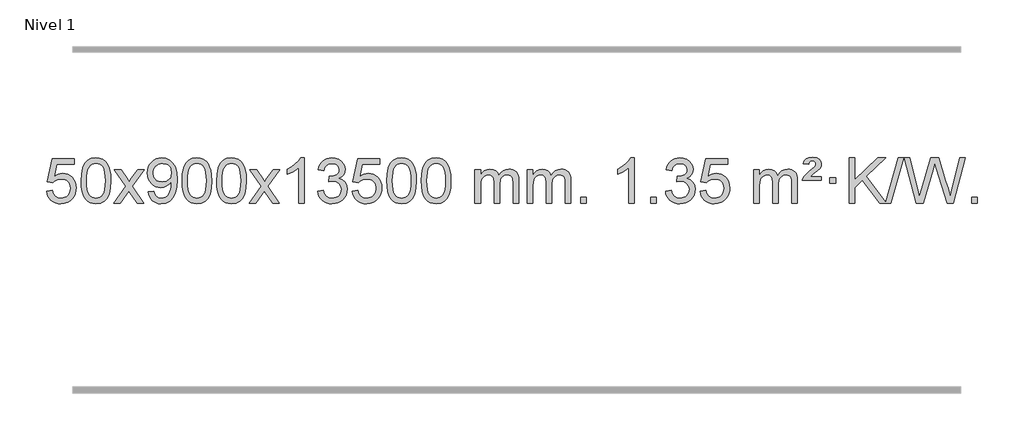
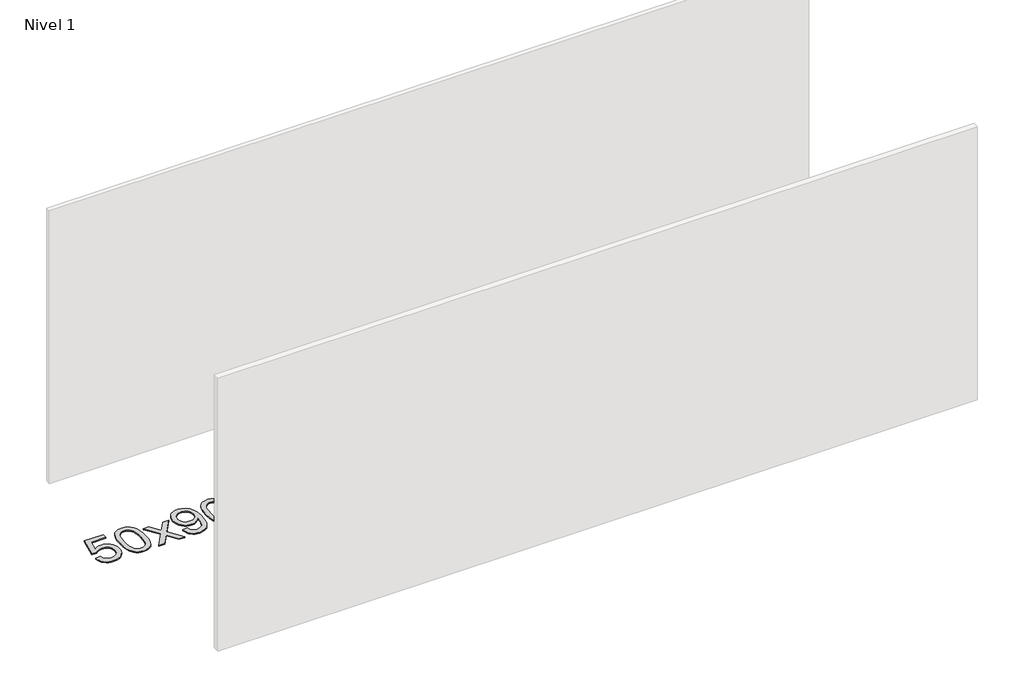
# One storey, part 6 of 25: 1 proxy.
"""IFC4 building model written with IfcOpenShell, lengths in millimetres."""

from ifc_helpers import new_model, si_unit, origin, origin_with_axes, place, context, project, spatial, polyline, outline, extrude, element, save

model = new_model("IFC4")

# Units and contexts
model_context = context("Model", 3, world=origin())
ifc_project = project(units=[si_unit("LENGTHUNIT", "METRE", prefix="MILLI")], contexts=[model_context])

# Site, building, storey
site = spatial("IfcSite", under=ifc_project)
building = spatial("IfcBuilding", under=site)
storey = spatial("IfcBuildingStorey", under=building, Name="Nivel 1", Elevation=0.0)

# Proxy
placement = place(None, origin())
element("IfcBuildingElementProxy", 1, Name="Texto de modelo 1", ObjectType="Texto de modelo 1", at=placement, inside=storey, context=model_context, shape_type="SweptSolid", body=[
    extrude(outline(polyline([(-13263.8171603, -284.8446235), (-13213.5890052, -278.5661041), (-13204.3674299, -308.7201649), (-13188.278724, -330.3148381), (-13165.3964639, -343.3010725), (-13135.794226, -347.6298173), (-13116.6643622, -346.1245668), (-13099.7908414, -341.6088153), (-13085.1736634, -334.0825628), (-13072.8128284, -323.5458094), (-13062.9842478, -310.519721), (-13055.963833, -295.5254641), (-13050.3475012, -259.6324441), (-13055.6082138, -225.8363514), (-13062.1841044, -211.9181493), (-13071.3903514, -199.9865099), (-13083.2576114, -190.4154467), (-13097.8165413, -183.5789729), (-13135.0094111, -178.1097939), (-13159.3754619, -180.2925604), (-13179.1061995, -186.8408599), (-13194.8638117, -196.8717757), (-13207.3104858, -209.5023908), (-13257.5386409, -203.2238715), (-13213.5890052, 3.9672682), (-13018.9549043, 3.9672682), (-13018.9549043, -46.2608869), (-13172.974833, -46.2608869), (-13194.5572433, -156.919791), (-13176.8314625, -144.2155994), (-13158.6764861, -135.1411769), (-13140.092314, -129.6965234), (-13121.0789462, -127.8816388), (-13096.6147935, -130.1318504), (-13074.1372036, -136.882485), (-13053.6461765, -148.1335427), (-13035.1417121, -163.8850234), (-13019.819427, -183.1743027), (-13008.8749376, -205.038756), (-13002.308244, -229.4783832), (-13000.1193462, -256.4931844), (-13002.0875148, -282.5147042), (-13007.9920209, -306.7213394), (-13017.8328642, -329.1130902), (-13031.6100449, -349.6899565), (-13052.4812168, -370.7634634), (-13076.8350049, -385.8159684), (-13104.6714092, -394.8474714), (-13135.9904297, -397.8579724), (-13161.9107819, -395.9235262), (-13185.3234053, -390.1201877), (-13206.2282996, -380.447957), (-13224.6254651, -366.9068338), (-13239.9324218, -350.1712688), (-13251.5666899, -330.915712), (-13259.5282694, -309.1401636), (-13263.8171603, -284.8446235)])), origin_with_axes(), (0.0, 0.0, 1.0), 10.0),
    extrude(outline(polyline([(-12956.1697105, -193.9041943), (-12952.4786278, -129.5861588), (-12941.4053797, -78.2911459), (-12923.0603309, -39.2343407), (-12911.2022679, -24.0009605), (-12897.5538459, -11.6309284), (-12882.0690796, -2.0598651), (-12864.7019837, 4.7766086), (-12824.3208034, 10.2457876), (-12793.3696649, 7.008426), (-12765.6558879, -2.7036586), (-12742.4793222, -18.5103217), (-12725.1398175, -40.0314184), (-12712.0432185, -67.0830078), (-12701.5953698, -99.4811488), (-12694.7527647, -140.6226186), (-12692.4718963, -193.9041943), (-12696.1261908, -257.8543477), (-12707.0890743, -309.0267333), (-12725.3237585, -348.1203266), (-12737.1542303, -363.3996922), (-12750.7934553, -375.8341036), (-12766.2966157, -385.4695462), (-12783.7188939, -392.3520052), (-12824.3208034, -397.8579724), (-12851.9855294, -395.4667394), (-12876.5109958, -388.2930405), (-12897.8972024, -376.3368757), (-12916.1441494, -359.5982449), (-12933.6553324, -329.3399508), (-12946.1633202, -291.6381776), (-12953.6681129, -246.4929255), (-12956.1697105, -193.9041943)]), holes=[polyline([(-12905.9415554, -193.8060924), (-12904.4700274, -237.4706195), (-12900.0554435, -272.8148822), (-12892.6978036, -299.8388804), (-12882.3971077, -318.5426142), (-12869.9381708, -331.2682656), (-12856.1058078, -340.3580165), (-12840.9000186, -345.8118671), (-12824.3208034, -347.6298173), (-12807.7415881, -345.8057357), (-12792.535799, -340.3334911), (-12778.703436, -331.2130833), (-12766.2444991, -318.4445124), (-12755.9438032, -299.7101217), (-12748.5861633, -272.6922549), (-12744.1715794, -237.3909118), (-12742.7000514, -193.8060924), (-12744.1225284, -151.2973278), (-12748.3899596, -116.5753989), (-12755.5023448, -89.6403055), (-12765.4596842, -70.4920476), (-12777.7101546, -57.1440625), (-12791.7019332, -47.6097875), (-12807.4350198, -41.8892225), (-12824.9094146, -39.9823675), (-12841.4027907, -41.6623619), (-12856.3510624, -46.7023452), (-12869.7542298, -55.1023175), (-12881.6122928, -66.8622786), (-12892.2563452, -87.708925), (-12899.8592397, -115.8151094), (-12904.4209765, -151.1808319), (-12905.9415554, -193.8060924)])]), origin_with_axes(), (0.0, 0.0, 1.0), 10.0),
    extrude(outline(polyline([(-12667.3578188, -391.579453), (-12560.0343781, -243.1513307), (-12661.0792994, -96.4890419), (-12600.8447541, -96.4890419), (-12552.088127, -167.2204869), (-12529.2303923, -200.4770192), (-12509.4138155, -173.2047007), (-12453.8881597, -96.4890419), (-12393.4574106, -96.4890419), (-12499.603629, -243.2494325), (-12397.3814853, -391.579453), (-12457.7141325, -391.579453), (-12519.3221039, -302.3067555), (-12530.5057166, -285.923744), (-12606.9270697, -391.579453), (-12667.3578188, -391.579453)])), origin_with_axes(), (0.0, 0.0, 1.0), 10.0),
    extrude(outline(polyline([(-12359.7103689, -291.1231428), (-12309.4822139, -284.8446235), (-12300.8983007, -313.3554781), (-12286.9187848, -332.7673847), (-12267.887023, -343.9142092), (-12244.1463715, -347.6298173), (-12222.846004, -345.2385843), (-12203.4831483, -338.0648854), (-12187.3944424, -326.8935355), (-12175.9165242, -312.5093495), (-12159.4844617, -268.8540194), (-12154.0398082, -240.4535294), (-12152.2249237, -210.5815114), (-12152.5192293, -200.7713248), (-12169.9200476, -222.0103787), (-12192.6919431, -238.8348486), (-12219.1917095, -249.7977321), (-12247.7761406, -253.4520265), (-12271.6363536, -251.2202091), (-12293.5774489, -244.5247568), (-12313.5994265, -233.3656696), (-12331.7022864, -217.7429475), (-12346.7026747, -198.4720624), (-12357.4172378, -176.3684858), (-12363.8459757, -151.4322179), (-12365.9888883, -123.6632586), (-12363.7417425, -94.968463), (-12357.0003049, -69.2167234), (-12345.7645756, -46.4080397), (-12330.0345547, -26.5424119), (-12310.9200193, -10.4475746), (-12289.530747, 1.0487377), (-12265.8667377, 7.9465251), (-12239.9279913, 10.2457876), (-12202.4653415, 4.9973378), (-12168.3626805, -10.7480116), (-12139.8395632, -36.2054457), (-12119.1155441, -70.5901495), (-12106.4971917, -118.1205032), (-12102.2910742, -183.0148872), (-12106.4849289, -251.821083), (-12119.0664932, -305.0045568), (-12139.9254023, -344.9688042), (-12153.4174745, -360.8950289), (-12168.9512917, -374.117321), (-12186.2141543, -384.503856), (-12204.8933626, -391.9228095), (-12246.5008163, -397.8579724), (-12269.058114, -396.1074672), (-12289.4449079, -390.8559517), (-12307.661198, -382.1034259), (-12323.7069844, -369.8498898), (-12337.1775967, -354.4264372), (-12347.668365, -336.1641618), (-12355.179289, -315.0630637), (-12359.7103689, -291.1231428)]), holes=[polyline([(-12152.5192293, -122.4860363), (-12157.9393573, -88.444689), (-12164.7145174, -74.3670713), (-12174.1997415, -62.2514909), (-12185.9290458, -52.5087494), (-12199.4364464, -45.5496483), (-12231.7855365, -39.9823675), (-12249.3948213, -41.4814866), (-12265.3363745, -45.978844), (-12279.6101959, -53.4744396), (-12292.2162856, -63.9682736), (-12302.5169814, -76.8472091), (-12309.8746213, -91.4981095), (-12314.2892053, -107.9209749), (-12315.7607333, -126.1158053), (-12310.1934524, -157.1527829), (-12303.2343513, -170.2708417), (-12293.4916098, -181.7886139), (-12281.3698981, -191.1665391), (-12267.2738863, -197.8650571), (-12233.1589626, -203.2238715), (-12201.0673899, -197.8650571), (-12175.2298111, -181.7886139), (-12165.2939315, -170.0439812), (-12158.1968747, -156.2453407), (-12152.5192293, -122.4860363)])]), origin_with_axes(), (0.0, 0.0, 1.0), 10.0),
    extrude(outline(polyline([(-12058.3414385, -193.9041943), (-12054.6503558, -129.5861588), (-12043.5771078, -78.2911459), (-12025.2320589, -39.2343407), (-12013.373996, -24.0009605), (-11999.7255739, -11.6309284), (-11984.2408076, -2.0598651), (-11966.8737118, 4.7766086), (-11926.4925314, 10.2457876), (-11895.5413929, 7.008426), (-11867.8276159, -2.7036586), (-11844.6510502, -18.5103217), (-11827.3115455, -40.0314184), (-11814.2149465, -67.0830078), (-11803.7670978, -99.4811488), (-11796.9244927, -140.6226186), (-11794.6436244, -193.9041943), (-11798.2979188, -257.8543477), (-11809.2608023, -309.0267333), (-11827.4954865, -348.1203266), (-11839.3259584, -363.3996922), (-11852.9651833, -375.8341036), (-11868.4683437, -385.4695462), (-11885.8906219, -392.3520052), (-11926.4925314, -397.8579724), (-11954.1572575, -395.4667394), (-11978.6827238, -388.2930405), (-12000.0689305, -376.3368757), (-12018.3158774, -359.5982449), (-12035.8270604, -329.3399508), (-12048.3350482, -291.6381776), (-12055.8398409, -246.4929255), (-12058.3414385, -193.9041943)]), holes=[polyline([(-12008.1132834, -193.8060924), (-12006.6417554, -237.4706195), (-12002.2271715, -272.8148822), (-11994.8695316, -299.8388804), (-11984.5688357, -318.5426142), (-11972.1098988, -331.2682656), (-11958.2775358, -340.3580165), (-11943.0717467, -345.8118671), (-11926.4925314, -347.6298173), (-11909.9133162, -345.8057357), (-11894.707527, -340.3334911), (-11880.875164, -331.2130833), (-11868.4162271, -318.4445124), (-11858.1155313, -299.7101217), (-11850.7578914, -272.6922549), (-11846.3433074, -237.3909118), (-11844.8717794, -193.8060924), (-11846.2942565, -151.2973278), (-11850.5616876, -116.5753989), (-11857.6740729, -89.6403055), (-11867.6314122, -70.4920476), (-11879.8818826, -57.1440625), (-11893.8736612, -47.6097875), (-11909.6067479, -41.8892225), (-11927.0811426, -39.9823675), (-11943.5745187, -41.6623619), (-11958.5227905, -46.7023452), (-11971.9259578, -55.1023175), (-11983.7840208, -66.8622786), (-11994.4280732, -87.708925), (-12002.0309678, -115.8151094), (-12006.5927045, -151.1808319), (-12008.1132834, -193.8060924)])]), origin_with_axes(), (0.0, 0.0, 1.0), 10.0),
    extrude(outline(polyline([(-11750.6939887, -193.9041943), (-11747.002906, -129.5861588), (-11735.9296579, -78.2911459), (-11717.5846091, -39.2343407), (-11705.7265461, -24.0009605), (-11692.0781241, -11.6309284), (-11676.5933578, -2.0598651), (-11659.2262619, 4.7766086), (-11618.8450816, 10.2457876), (-11587.8939431, 7.008426), (-11560.1801661, -2.7036586), (-11537.0036004, -18.5103217), (-11519.6640957, -40.0314184), (-11506.5674967, -67.0830078), (-11496.119648, -99.4811488), (-11489.2770429, -140.6226186), (-11486.9961745, -193.9041943), (-11490.650469, -257.8543477), (-11501.6133525, -309.0267333), (-11519.8480367, -348.1203266), (-11531.6785085, -363.3996922), (-11545.3177335, -375.8341036), (-11560.8208939, -385.4695462), (-11578.2431721, -392.3520052), (-11618.8450816, -397.8579724), (-11646.5098076, -395.4667394), (-11671.035274, -388.2930405), (-11692.4214806, -376.3368757), (-11710.6684276, -359.5982449), (-11728.1796106, -329.3399508), (-11740.6875984, -291.6381776), (-11748.1923911, -246.4929255), (-11750.6939887, -193.9041943)]), holes=[polyline([(-11700.4658336, -193.8060924), (-11698.9943056, -237.4706195), (-11694.5797217, -272.8148822), (-11687.2220818, -299.8388804), (-11676.9213859, -318.5426142), (-11664.462449, -331.2682656), (-11650.630086, -340.3580165), (-11635.4242968, -345.8118671), (-11618.8450816, -347.6298173), (-11602.2658663, -345.8057357), (-11587.0600772, -340.3334911), (-11573.2277142, -331.2130833), (-11560.7687773, -318.4445124), (-11550.4680814, -299.7101217), (-11543.1104415, -272.6922549), (-11538.6958576, -237.3909118), (-11537.2243296, -193.8060924), (-11538.6468066, -151.2973278), (-11542.9142378, -116.5753989), (-11550.026623, -89.6403055), (-11559.9839624, -70.4920476), (-11572.2344328, -57.1440625), (-11586.2262114, -47.6097875), (-11601.959298, -41.8892225), (-11619.4336928, -39.9823675), (-11635.9270689, -41.6623619), (-11650.8753406, -46.7023452), (-11664.278508, -55.1023175), (-11676.136571, -66.8622786), (-11686.7806234, -87.708925), (-11694.3835179, -115.8151094), (-11698.9452547, -151.1808319), (-11700.4658336, -193.8060924)])]), origin_with_axes(), (0.0, 0.0, 1.0), 10.0),
    extrude(outline(polyline([(-11461.882097, -391.579453), (-11354.5586563, -243.1513307), (-11455.6035776, -96.4890419), (-11395.3690323, -96.4890419), (-11346.6124052, -167.2204869), (-11323.7546705, -200.4770192), (-11303.9380937, -173.2047007), (-11248.4124379, -96.4890419), (-11187.9816888, -96.4890419), (-11294.1279072, -243.2494325), (-11191.9057635, -391.579453), (-11252.2384107, -391.579453), (-11313.8463821, -302.3067555), (-11325.0299948, -285.923744), (-11401.4513479, -391.579453), (-11461.882097, -391.579453)])), origin_with_axes(), (0.0, 0.0, 1.0), 10.0),
    extrude(outline(polyline([(-10972.157585, -391.579453), (-11022.3857401, -391.579453), (-11022.3857401, -78.4382987), (-11043.3550138, -95.3976587), (-11069.9651448, -112.3324932), (-11122.8420502, -137.6918254), (-11122.8420502, -90.2105225), (-11083.3928376, -68.7507395), (-11049.2166003, -43.219729), (-11022.2753755, -16.0700378), (-11004.5312006, 10.2457876), (-10972.157585, 10.2457876), (-10972.157585, -391.579453)])), origin_with_axes(), (0.0, 0.0, 1.0), 10.0),
    extrude(outline(polyline([(-10852.8657167, -284.8446235), (-10802.6375616, -278.5661041), (-10791.3926353, -310.1303793), (-10774.9237847, -331.4430095), (-10752.4216693, -343.5831154), (-10723.0769488, -347.6298173), (-10688.6431941, -342.0625364), (-10674.3693726, -335.1034354), (-10662.0575885, -325.3606939), (-10645.0614404, -300.4428201), (-10639.3960576, -270.2274455), (-10645.0123894, -241.5449126), (-10661.8613848, -218.2825078), (-10687.3678698, -202.8682522), (-10718.9566705, -197.730167), (-10754.1752401, -203.2238715), (-10748.5834338, -152.9957164), (-10740.5390808, -153.5843276), (-10710.4463336, -149.979084), (-10683.5418971, -139.1633534), (-10672.468649, -130.9841103), (-10664.5591861, -120.8673555), (-10659.8135084, -108.8130888), (-10658.2316158, -94.8213102), (-10662.817878, -73.1285352), (-10676.5766646, -55.5315131), (-10697.5704638, -43.8696539), (-10723.8617637, -39.9823675), (-10750.2021146, -43.9064421), (-10771.735474, -55.6786659), (-10787.456298, -75.299039), (-10796.3590422, -102.7675613), (-10846.5871973, -96.4890419), (-10840.6336404, -72.5092672), (-10831.7983411, -51.3867093), (-10820.0812996, -33.1213683), (-10805.4825157, -17.713244), (-10788.4618421, -5.4811677), (-10769.4791311, 3.2560297), (-10748.5343829, 8.4983481), (-10725.6275973, 10.2457876), (-10694.0510594, 6.7999596), (-10665.0496954, -3.5375245), (-10640.5978055, -19.8469596), (-10622.6696896, -41.2086408), (-10611.6700179, -65.8199463), (-10608.0034607, -91.8782543), (-10611.4860769, -116.1584659), (-10621.9339256, -138.1823347), (-10639.1998539, -156.9443165), (-10663.1367091, -171.4388671), (-10631.6950612, -184.1430586), (-10608.3958682, -205.77452), (-10593.974894, -235.1560286), (-10589.1679026, -271.1103623), (-10591.5713983, -296.5923218), (-10598.7818854, -320.0631931), (-10610.7993639, -341.5229762), (-10627.6238338, -360.971671), (-10648.1209923, -377.1094278), (-10671.1565366, -388.636397), (-10696.7304666, -395.5525785), (-10724.8427824, -397.8579724), (-10750.2511655, -395.8898037), (-10773.4032057, -389.9852977), (-10794.2989031, -380.1444543), (-10812.9382575, -366.3672736), (-10828.5671109, -349.4630959), (-10840.4313053, -330.2412617), (-10848.5308405, -308.7017708), (-10852.8657167, -284.8446235)])), origin_with_axes(), (0.0, 0.0, 1.0), 10.0),
    extrude(outline(polyline([(-10545.2182669, -284.8446235), (-10494.9901118, -278.5661041), (-10485.7685365, -308.7201649), (-10469.6798305, -330.3148381), (-10446.7975704, -343.3010725), (-10417.1953326, -347.6298173), (-10398.0654688, -346.1245668), (-10381.191948, -341.6088153), (-10366.57477, -334.0825628), (-10354.213935, -323.5458094), (-10344.3853543, -310.519721), (-10337.3649396, -295.5254641), (-10331.7486078, -259.6324441), (-10337.0093203, -225.8363514), (-10343.585211, -211.9181493), (-10352.7914579, -199.9865099), (-10364.658718, -190.4154467), (-10379.2176479, -183.5789729), (-10416.4105176, -178.1097939), (-10440.7765684, -180.2925604), (-10460.5073061, -186.8408599), (-10476.2649182, -196.8717757), (-10488.7115924, -209.5023908), (-10538.9397475, -203.2238715), (-10494.9901118, 3.9672682), (-10300.3560109, 3.9672682), (-10300.3560109, -46.2608869), (-10454.3759395, -46.2608869), (-10475.9583499, -156.919791), (-10458.2325691, -144.2155994), (-10440.0775927, -135.1411769), (-10421.4934205, -129.6965234), (-10402.4800527, -127.8816388), (-10378.0159001, -130.1318504), (-10355.5383102, -136.882485), (-10335.047283, -148.1335427), (-10316.5428187, -163.8850234), (-10301.2205336, -183.1743027), (-10290.2760442, -205.038756), (-10283.7093506, -229.4783832), (-10281.5204527, -256.4931844), (-10283.4886214, -282.5147042), (-10289.3931274, -306.7213394), (-10299.2339708, -329.1130902), (-10313.0111515, -349.6899565), (-10333.8823234, -370.7634634), (-10358.2361115, -385.8159684), (-10386.0725158, -394.8474714), (-10417.3915363, -397.8579724), (-10443.3118885, -395.9235262), (-10466.7245118, -390.1201877), (-10487.6294062, -380.447957), (-10506.0265717, -366.9068338), (-10521.3335283, -350.1712688), (-10532.9677964, -330.915712), (-10540.9293759, -309.1401636), (-10545.2182669, -284.8446235)])), origin_with_axes(), (0.0, 0.0, 1.0), 10.0),
    extrude(outline(polyline([(-10237.570817, -193.9041943), (-10233.8797344, -129.5861588), (-10222.8064863, -78.2911459), (-10204.4614375, -39.2343407), (-10192.6033745, -24.0009605), (-10178.9549525, -11.6309284), (-10163.4701862, -2.0598651), (-10146.1030903, 4.7766086), (-10105.72191, 10.2457876), (-10074.7707714, 7.008426), (-10047.0569945, -2.7036586), (-10023.8804288, -18.5103217), (-10006.5409241, -40.0314184), (-9993.444325, -67.0830078), (-9982.9964764, -99.4811488), (-9976.1538713, -140.6226186), (-9973.8730029, -193.9041943), (-9977.5272974, -257.8543477), (-9988.4901808, -309.0267333), (-10006.7248651, -348.1203266), (-10018.5553369, -363.3996922), (-10032.1945619, -375.8341036), (-10047.6977223, -385.4695462), (-10065.1200004, -392.3520052), (-10105.72191, -397.8579724), (-10133.386636, -395.4667394), (-10157.9121024, -388.2930405), (-10179.298309, -376.3368757), (-10197.545256, -359.5982449), (-10215.0564389, -329.3399508), (-10227.5644268, -291.6381776), (-10235.0692195, -246.4929255), (-10237.570817, -193.9041943)]), holes=[polyline([(-10187.342662, -193.8060924), (-10185.871134, -237.4706195), (-10181.45655, -272.8148822), (-10174.0989101, -299.8388804), (-10163.7982143, -318.5426142), (-10151.3392774, -331.2682656), (-10137.5069144, -340.3580165), (-10122.3011252, -345.8118671), (-10105.72191, -347.6298173), (-10089.1426947, -345.8057357), (-10073.9369056, -340.3334911), (-10060.1045426, -331.2130833), (-10047.6456057, -318.4445124), (-10037.3449098, -299.7101217), (-10029.9872699, -272.6922549), (-10025.572686, -237.3909118), (-10024.101158, -193.8060924), (-10025.523635, -151.2973278), (-10029.7910662, -116.5753989), (-10036.9034514, -89.6403055), (-10046.8607907, -70.4920476), (-10059.1112612, -57.1440625), (-10073.1030397, -47.6097875), (-10088.8361264, -41.8892225), (-10106.3105212, -39.9823675), (-10122.8038973, -41.6623619), (-10137.752169, -46.7023452), (-10151.1553364, -55.1023175), (-10163.0133993, -66.8622786), (-10173.6574517, -87.708925), (-10181.2603463, -115.8151094), (-10185.8220831, -151.1808319), (-10187.342662, -193.8060924)])]), origin_with_axes(), (0.0, 0.0, 1.0), 10.0),
    extrude(outline(polyline([(-9929.9233672, -193.9041943), (-9926.2322845, -129.5861588), (-9915.1590365, -78.2911459), (-9896.8139876, -39.2343407), (-9884.9559247, -24.0009605), (-9871.3075026, -11.6309284), (-9855.8227363, -2.0598651), (-9838.4556405, 4.7766086), (-9798.0744601, 10.2457876), (-9767.1233216, 7.008426), (-9739.4095446, -2.7036586), (-9716.2329789, -18.5103217), (-9698.8934742, -40.0314184), (-9685.7968752, -67.0830078), (-9675.3490265, -99.4811488), (-9668.5064214, -140.6226186), (-9666.2255531, -193.9041943), (-9669.8798475, -257.8543477), (-9680.842731, -309.0267333), (-9699.0774152, -348.1203266), (-9710.9078871, -363.3996922), (-9724.547112, -375.8341036), (-9740.0502724, -385.4695462), (-9757.4725506, -392.3520052), (-9798.0744601, -397.8579724), (-9825.7391862, -395.4667394), (-9850.2646525, -388.2930405), (-9871.6508592, -376.3368757), (-9889.8978061, -359.5982449), (-9907.4089891, -329.3399508), (-9919.9169769, -291.6381776), (-9927.4217696, -246.4929255), (-9929.9233672, -193.9041943)]), holes=[polyline([(-9879.6952121, -193.8060924), (-9878.2236842, -237.4706195), (-9873.8091002, -272.8148822), (-9866.4514603, -299.8388804), (-9856.1507644, -318.5426142), (-9843.6918275, -331.2682656), (-9829.8594645, -340.3580165), (-9814.6536754, -345.8118671), (-9798.0744601, -347.6298173), (-9781.4952449, -345.8057357), (-9766.2894558, -340.3334911), (-9752.4570927, -331.2130833), (-9739.9981558, -318.4445124), (-9729.69746, -299.7101217), (-9722.3398201, -272.6922549), (-9717.9252361, -237.3909118), (-9716.4537081, -193.8060924), (-9717.8761852, -151.2973278), (-9722.1436163, -116.5753989), (-9729.2560016, -89.6403055), (-9739.2133409, -70.4920476), (-9751.4638113, -57.1440625), (-9765.4555899, -47.6097875), (-9781.1886766, -41.8892225), (-9798.6630713, -39.9823675), (-9815.1564474, -41.6623619), (-9830.1047192, -46.7023452), (-9843.5078865, -55.1023175), (-9855.3659495, -66.8622786), (-9866.0100019, -87.708925), (-9873.6128965, -115.8151094), (-9878.1746332, -151.1808319), (-9879.6952121, -193.8060924)])]), origin_with_axes(), (0.0, 0.0, 1.0), 10.0),
    extrude(outline(polyline([(-9452.755894, -391.579453), (-9452.755894, -96.4890419), (-9402.5277389, -96.4890419), (-9402.5277389, -145.0494653), (-9387.4200517, -122.7435537), (-9367.9958823, -105.2691589), (-9344.9174185, -93.9751816), (-9318.8468478, -90.2105225), (-9290.9123416, -94.048758), (-9268.5205908, -105.5634645), (-9251.7942228, -123.9943524), (-9240.8558648, -148.5811324), (-9222.5476041, -123.0439906), (-9201.6641696, -104.803175), (-9178.205561, -93.8586857), (-9152.1717785, -90.2105225), (-9132.0639617, -91.7280358), (-9114.414823, -96.2805755), (-9099.2243623, -103.8681416), (-9086.4925796, -114.4907342), (-9076.4279413, -128.2709806), (-9069.238914, -145.3315082), (-9064.9254976, -165.6723168), (-9063.4876922, -189.2934066), (-9063.4876922, -391.579453), (-9113.7158472, -391.579453), (-9113.7158472, -210.875817), (-9114.8808069, -185.8230531), (-9118.3756858, -168.9372695), (-9124.9239854, -157.3735121), (-9135.2492067, -148.2868268), (-9148.5297467, -142.4007149), (-9163.9440023, -140.4386776), (-9191.1550072, -145.4663982), (-9213.3382915, -160.54956), (-9221.9436645, -172.1194488), (-9228.0903595, -186.7182326), (-9233.0077155, -225.0024856), (-9233.0077155, -391.579453), (-9283.2358706, -391.579453), (-9283.2358706, -205.2840106), (-9286.1421384, -176.8835206), (-9294.8609417, -156.6254854), (-9310.2016209, -144.4853796), (-9332.9735164, -140.4386776), (-9352.3241093, -143.1364789), (-9370.1541233, -151.2298828), (-9384.8694032, -164.5226856), (-9394.8757934, -182.8186835), (-9400.6147525, -208.2025411), (-9402.5277389, -242.7589232), (-9402.5277389, -391.579453), (-9452.755894, -391.579453)])), origin_with_axes(), (0.0, 0.0, 1.0), 10.0),
    extrude(outline(polyline([(-8988.1454596, -391.579453), (-8988.1454596, -96.4890419), (-8937.9173045, -96.4890419), (-8937.9173045, -145.0494653), (-8922.8096172, -122.7435537), (-8903.3854479, -105.2691589), (-8880.306984, -93.9751816), (-8854.2364133, -90.2105225), (-8826.3019071, -94.048758), (-8803.9101564, -105.5634645), (-8787.1837883, -123.9943524), (-8776.2454303, -148.5811324), (-8757.9371697, -123.0439906), (-8737.0537351, -104.803175), (-8713.5951266, -93.8586857), (-8687.561344, -90.2105225), (-8667.4535273, -91.7280358), (-8649.8043886, -96.2805755), (-8634.6139279, -103.8681416), (-8621.8821452, -114.4907342), (-8611.8175069, -128.2709806), (-8604.6284796, -145.3315082), (-8600.3150632, -165.6723168), (-8598.8772577, -189.2934066), (-8598.8772577, -391.579453), (-8649.1054128, -391.579453), (-8649.1054128, -210.875817), (-8650.2703724, -185.8230531), (-8653.7652514, -168.9372695), (-8660.3135509, -157.3735121), (-8670.6387722, -148.2868268), (-8683.9193123, -142.4007149), (-8699.3335679, -140.4386776), (-8726.5445728, -145.4663982), (-8748.7278571, -160.54956), (-8757.3332301, -172.1194488), (-8763.4799251, -186.7182326), (-8768.3972811, -225.0024856), (-8768.3972811, -391.579453), (-8818.6254362, -391.579453), (-8818.6254362, -205.2840106), (-8821.5317039, -176.8835206), (-8830.2505072, -156.6254854), (-8845.5911864, -144.4853796), (-8868.3630819, -140.4386776), (-8887.7136749, -143.1364789), (-8905.5436889, -151.2298828), (-8920.2589687, -164.5226856), (-8930.265359, -182.8186835), (-8936.0043181, -208.2025411), (-8937.9173045, -242.7589232), (-8937.9173045, -391.579453), (-8988.1454596, -391.579453)])), origin_with_axes(), (0.0, 0.0, 1.0), 10.0),
    extrude(outline(polyline([(-8510.9779863, -391.579453), (-8510.9779863, -341.3512979), (-8460.7498313, -341.3512979), (-8460.7498313, -391.579453), (-8510.9779863, -391.579453)])), origin_with_axes(), (0.0, 0.0, 1.0), 10.0),
    extrude(outline(polyline([(-8033.8105131, -391.579453), (-8084.0386682, -391.579453), (-8084.0386682, -78.4382987), (-8105.0079419, -95.3976587), (-8131.6180729, -112.3324932), (-8184.4949784, -137.6918254), (-8184.4949784, -90.2105225), (-8145.0457657, -68.7507395), (-8110.8695284, -43.219729), (-8083.9283036, -16.0700378), (-8066.1841287, 10.2457876), (-8033.8105131, 10.2457876), (-8033.8105131, -391.579453)])), origin_with_axes(), (0.0, 0.0, 1.0), 10.0),
    extrude(outline(polyline([(-7889.4045673, -391.579453), (-7889.4045673, -341.3512979), (-7839.1764122, -341.3512979), (-7839.1764122, -391.579453), (-7889.4045673, -391.579453)])), origin_with_axes(), (0.0, 0.0, 1.0), 10.0),
    extrude(outline(polyline([(-7757.5556602, -284.8446235), (-7707.3275051, -278.5661041), (-7696.0825788, -310.1303793), (-7679.6137282, -331.4430095), (-7657.1116128, -343.5831154), (-7627.7668923, -347.6298173), (-7593.3331376, -342.0625364), (-7579.0593162, -335.1034354), (-7566.7475321, -325.3606939), (-7549.7513839, -300.4428201), (-7544.0860012, -270.2274455), (-7549.7023329, -241.5449126), (-7566.5513283, -218.2825078), (-7592.0578133, -202.8682522), (-7623.646614, -197.730167), (-7658.8651836, -203.2238715), (-7653.2733773, -152.9957164), (-7645.2290244, -153.5843276), (-7615.1362772, -149.979084), (-7588.2318406, -139.1633534), (-7577.1585925, -130.9841103), (-7569.2491296, -120.8673555), (-7564.5034519, -108.8130888), (-7562.9215593, -94.8213102), (-7567.5078215, -73.1285352), (-7581.2666081, -55.5315131), (-7602.2604073, -43.8696539), (-7628.5517072, -39.9823675), (-7654.8920581, -43.9064421), (-7676.4254176, -55.6786659), (-7692.1462415, -75.299039), (-7701.0489858, -102.7675613), (-7751.2771408, -96.4890419), (-7745.3235839, -72.5092672), (-7736.4882846, -51.3867093), (-7724.7712431, -33.1213683), (-7710.1724592, -17.713244), (-7693.1517856, -5.4811677), (-7674.1690746, 3.2560297), (-7653.2243264, 8.4983481), (-7630.3175408, 10.2457876), (-7598.7410029, 6.7999596), (-7569.7396389, -3.5375245), (-7545.287749, -19.8469596), (-7527.3596331, -41.2086408), (-7516.3599614, -65.8199463), (-7512.6934042, -91.8782543), (-7516.1760205, -116.1584659), (-7526.6238691, -138.1823347), (-7543.8897974, -156.9443165), (-7567.8266526, -171.4388671), (-7536.3850047, -184.1430586), (-7513.0858117, -205.77452), (-7498.6648375, -235.1560286), (-7493.8578461, -271.1103623), (-7496.2613418, -296.5923218), (-7503.4718289, -320.0631931), (-7515.4893074, -341.5229762), (-7532.3137773, -360.971671), (-7552.8109358, -377.1094278), (-7575.8464801, -388.636397), (-7601.4204101, -395.5525785), (-7629.5327259, -397.8579724), (-7654.941109, -395.8898037), (-7678.0931493, -389.9852977), (-7698.9888466, -380.1444543), (-7717.628201, -366.3672736), (-7733.2570544, -349.4630959), (-7745.1212488, -330.2412617), (-7753.220784, -308.7017708), (-7757.5556602, -284.8446235)])), origin_with_axes(), (0.0, 0.0, 1.0), 10.0),
    extrude(outline(polyline([(-7449.9082104, -284.8446235), (-7399.6800553, -278.5661041), (-7390.45848, -308.7201649), (-7374.369774, -330.3148381), (-7351.4875139, -343.3010725), (-7321.8852761, -347.6298173), (-7302.7554123, -346.1245668), (-7285.8818915, -341.6088153), (-7271.2647135, -334.0825628), (-7258.9038785, -323.5458094), (-7249.0752979, -310.519721), (-7242.0548831, -295.5254641), (-7236.4385513, -259.6324441), (-7241.6992639, -225.8363514), (-7248.2751545, -211.9181493), (-7257.4814014, -199.9865099), (-7269.3486615, -190.4154467), (-7283.9075914, -183.5789729), (-7321.1004611, -178.1097939), (-7345.466512, -180.2925604), (-7365.1972496, -186.8408599), (-7380.9548618, -196.8717757), (-7393.4015359, -209.5023908), (-7443.629691, -203.2238715), (-7399.6800553, 3.9672682), (-7205.0459544, 3.9672682), (-7205.0459544, -46.2608869), (-7359.065883, -46.2608869), (-7380.6482934, -156.919791), (-7362.9225126, -144.2155994), (-7344.7675362, -135.1411769), (-7326.183364, -129.6965234), (-7307.1699963, -127.8816388), (-7282.7058436, -130.1318504), (-7260.2282537, -136.882485), (-7239.7372265, -148.1335427), (-7221.2327622, -163.8850234), (-7205.9104771, -183.1743027), (-7194.9659877, -205.038756), (-7188.3992941, -229.4783832), (-7186.2103962, -256.4931844), (-7188.1785649, -282.5147042), (-7194.0830709, -306.7213394), (-7203.9239143, -329.1130902), (-7217.701095, -349.6899565), (-7238.5722669, -370.7634634), (-7262.926055, -385.8159684), (-7290.7624593, -394.8474714), (-7322.0814798, -397.8579724), (-7348.001832, -395.9235262), (-7371.4144553, -390.1201877), (-7392.3193497, -380.447957), (-7410.7165152, -366.9068338), (-7426.0234719, -350.1712688), (-7437.6577399, -330.915712), (-7445.6193195, -309.1401636), (-7449.9082104, -284.8446235)])), origin_with_axes(), (0.0, 0.0, 1.0), 10.0),
    extrude(outline(polyline([(-6972.7407372, -391.579453), (-6972.7407372, -96.4890419), (-6922.5125821, -96.4890419), (-6922.5125821, -145.0494653), (-6907.4048948, -122.7435537), (-6887.9807255, -105.2691589), (-6864.9022617, -93.9751816), (-6838.8316909, -90.2105225), (-6810.8971848, -94.048758), (-6788.505434, -105.5634645), (-6771.7790659, -123.9943524), (-6760.840708, -148.5811324), (-6742.5324473, -123.0439906), (-6721.6490127, -104.803175), (-6698.1904042, -93.8586857), (-6672.1566217, -90.2105225), (-6652.0488049, -91.7280358), (-6634.3996662, -96.2805755), (-6619.2092055, -103.8681416), (-6606.4774228, -114.4907342), (-6596.4127845, -128.2709806), (-6589.2237572, -145.3315082), (-6584.9103408, -165.6723168), (-6583.4725353, -189.2934066), (-6583.4725353, -391.579453), (-6633.7006904, -391.579453), (-6633.7006904, -210.875817), (-6634.8656501, -185.8230531), (-6638.360529, -168.9372695), (-6644.9088285, -157.3735121), (-6655.2340499, -148.2868268), (-6668.5145899, -142.4007149), (-6683.9288455, -140.4386776), (-6711.1398504, -145.4663982), (-6733.3231347, -160.54956), (-6741.9285077, -172.1194488), (-6748.0752027, -186.7182326), (-6752.9925587, -225.0024856), (-6752.9925587, -391.579453), (-6803.2207138, -391.579453), (-6803.2207138, -205.2840106), (-6806.1269816, -176.8835206), (-6814.8457848, -156.6254854), (-6830.186464, -144.4853796), (-6852.9583595, -140.4386776), (-6872.3089525, -143.1364789), (-6890.1389665, -151.2298828), (-6904.8542463, -164.5226856), (-6914.8606366, -182.8186835), (-6920.5995957, -208.2025411), (-6922.5125821, -242.7589232), (-6922.5125821, -391.579453), (-6972.7407372, -391.579453)])), origin_with_axes(), (0.0, 0.0, 1.0), 10.0),
    extrude(outline(polyline([(-6539.5228997, -190.6668327), (-6535.6969269, -174.8479069), (-6527.3582683, -158.9799302), (-6505.8494344, -133.8413272), (-6473.8927517, -106.1030247), (-6429.7469123, -68.726214), (-6422.6100016, -57.1992448), (-6420.2310314, -45.3779701), (-6422.1194923, -33.2869152), (-6427.784875, -23.5012541), (-6437.1536031, -17.026531), (-6450.1521003, -14.8682899), (-6462.5865117, -16.4869707), (-6471.4402051, -21.343013), (-6477.8658773, -30.8098431), (-6483.0162252, -46.2608869), (-6533.2443803, -39.9823675), (-6522.4041241, -14.7701881), (-6505.775858, 2.7900458), (-6482.0106811, 13.0907417), (-6449.7596928, 16.524307), (-6413.9770374, 12.3917659), (-6389.2308419, -0.0058573), (-6374.8098677, -18.3386434), (-6370.0028763, -40.2766731), (-6374.0986292, -63.1834586), (-6386.3858878, -84.8149199), (-6406.9137031, -104.6314968), (-6443.3830716, -132.6886303), (-6468.9876584, -159.2742358), (-6370.0028763, -159.2742358), (-6370.0028763, -190.6668327), (-6539.5228997, -190.6668327)])), origin_with_axes(), (0.0, 0.0, 1.0), 10.0),
    extrude(outline(polyline([(-6294.6606437, -215.7809102), (-6294.6606437, -165.5527552), (-6244.4324886, -165.5527552), (-6244.4324886, -215.7809102), (-6294.6606437, -215.7809102)])), origin_with_axes(), (0.0, 0.0, 1.0), 10.0),
    extrude(outline(polyline([(-5853.7908606, -391.579453), (-6007.32028, -188.9009991), (-6074.9124652, -253.4520265), (-6074.9124652, -391.579453), (-6125.1406203, -391.579453), (-6125.1406203, 10.2457876), (-6074.9124652, 10.2457876), (-6074.9124652, -186.4484525), (-5868.8985479, 10.2457876), (-5798.6576123, 10.2457876), (-5971.7093028, -154.9577537), (-5796.9582694, -385.5373449), (-5685.6442634, 10.2457876), (-5640.1249978, 10.2457876), (-5753.2364486, -391.579453), (-5792.3790929, -391.579453), (-5798.6576123, -391.579453), (-5853.7908606, -391.579453)])), origin_with_axes(), (0.0, 0.0, 1.0), 10.0),
    extrude(outline(polyline([(-5525.8363247, -391.579453), (-5635.4161083, 10.2457876), (-5583.6183234, 10.2457876), (-5520.0483146, -253.844434), (-5500.4279415, -335.3670841), (-5479.4341424, -263.2622131), (-5399.7754277, 10.2457876), (-5325.1199081, 10.2457876), (-5267.2398075, -188.0180823), (-5242.4445611, -261.5944814), (-5224.1730886, -335.3670841), (-5205.1413268, -256.1988788), (-5141.0808087, 10.2457876), (-5089.1849219, 10.2457876), (-5198.6666036, -391.579453), (-5252.4264259, -391.579453), (-5348.8605595, -81.5775584), (-5362.3005151, -38.3146358), (-5377.4082024, -90.4067263), (-5465.2093719, -391.579453), (-5525.8363247, -391.579453)])), origin_with_axes(), (0.0, 0.0, 1.0), 10.0),
    extrude(outline(polyline([(-5032.6782474, -391.579453), (-5032.6782474, -341.3512979), (-4982.4500923, -341.3512979), (-4982.4500923, -391.579453), (-5032.6782474, -391.579453)])), origin_with_axes(), (0.0, 0.0, 1.0), 10.0),
])

save(model, "model.ifc")
